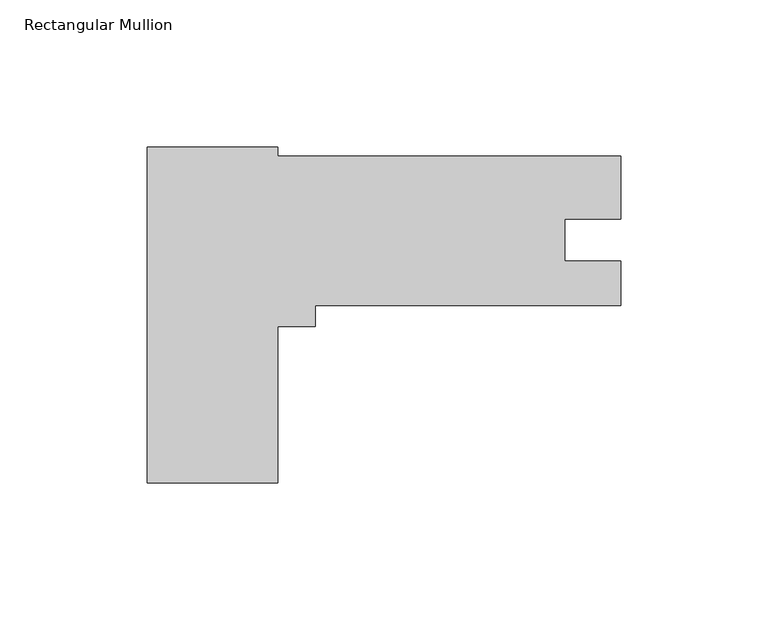
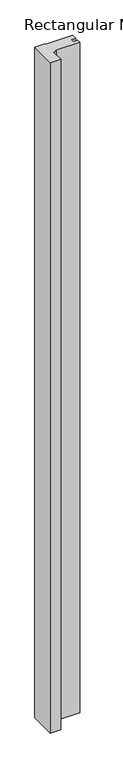
"""IFC4 building model written with IfcOpenShell, lengths in millimetres: member geometry, Rectangular Mullion."""

from ifc_helpers import new_model, si_unit, frame, origin, place, context, project, spatial, polyline, outline, extrude, source, transform, mapped, element, save


def rectangular_mullion_b91cba7b(model_context):
    return source(origin(), model_context, "Body", "SweptSolid", [
        extrude(outline(polyline([(-116.5860013, -57.148095), (-161.0360013, -57.148095), (-161.0360013, 57.148095), (-116.5860013, 57.148095), (-116.5860013, 53.973095), (-1.3e-06, 53.973095), (-1.3e-06, 32.5900939), (-19.0246, 32.5900939), (-19.0246, 18.273395), (0.0, 18.273395), (0.0, 3.173095), (-103.8860013, 3.173095), (-103.8860013, -3.985895), (-116.5860013, -3.985895), (-116.5860013, -57.148095)])), frame((0.0, 0.0, -3048.0), z_axis=(0.0, 0.0, 1.0), x_axis=(1.0, 0.0, 0.0)), (0.0, 0.0, 1.0), 3048.0),
    ])


if __name__ == "__main__":
    model = new_model("IFC4")
    model_context = context("Model", 3, world=origin())
    ifc_project = project(units=[si_unit("LENGTHUNIT", "METRE", prefix="MILLI")], contexts=[model_context])
    site = spatial("IfcSite", under=ifc_project)
    building = spatial("IfcBuilding", under=site)
    placement = place(None, origin())
    rectangular_mullion_shape = rectangular_mullion_b91cba7b(model_context)
    element("IfcMember", 1, ObjectType="Rectangular Mullion", at=placement, inside=building, context=model_context, shape_type="MappedRepresentation", body=[
        mapped(rectangular_mullion_shape, transform((0.0, 0.0, 0.0), x_axis=(1.0, 0.0, 0.0), y_axis=(0.0, 1.0, 0.0), z_axis=(0.0, 0.0, 1.0))),
    ])
    save(model, "model.ifc")
